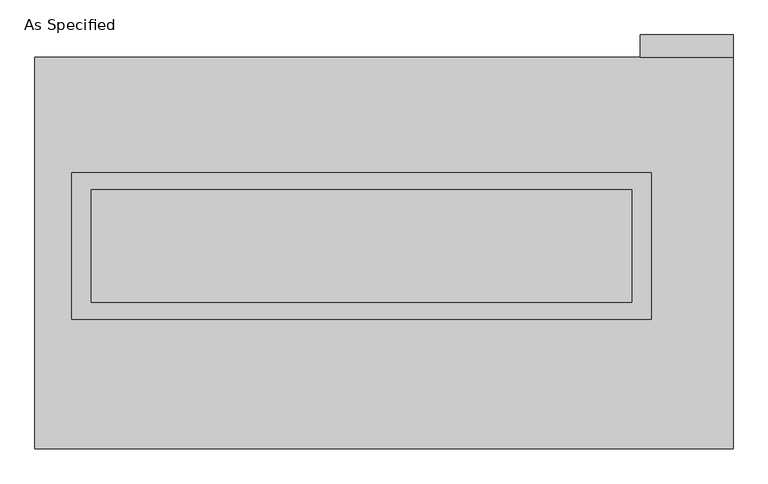
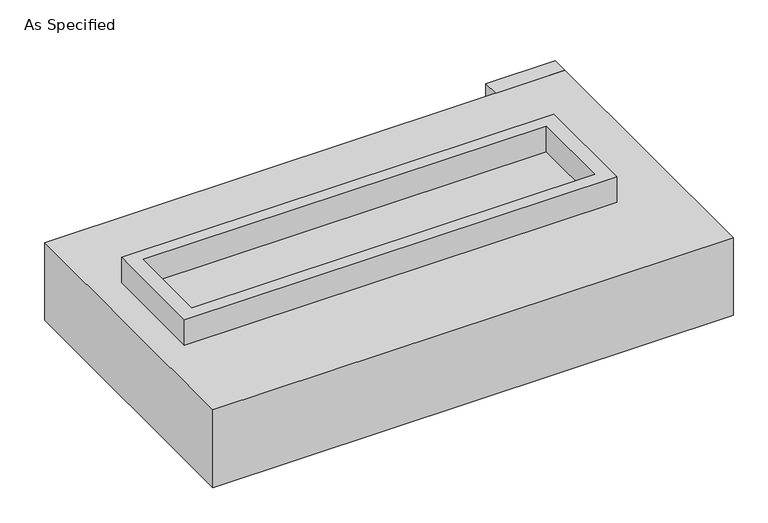
"""IFC4 building model written with IfcOpenShell, lengths in millimetres: proxy geometry, As Specified."""

from ifc_helpers import new_model, si_unit, frame, origin, place, context, project, spatial, polyline, outline, extrude, faceted_brep, source, transform, mapped, element, save


def as_specified_ad8ccd12(model_context):
    return source(origin(), model_context, "Body", "SolidModel", [
        extrude(outline(polyline([(1308.1, 361.95), (1308.1, -298.45), (-1308.1, -298.45), (-1308.1, 361.95), (1308.1, 361.95)]), holes=[polyline([(1219.2, 285.75), (-1219.2, 285.75), (-1219.2, -222.25), (1219.2, -222.25), (1219.2, 285.75)])]), frame((0.0, 0.0, -25.4), z_axis=(0.0, 0.0, 1.0), x_axis=(1.0, 0.0, 0.0)), (0.0, 0.0, 1.0), 165.1),
        extrude(outline(polyline([(1257.3, 882.65), (1257.3, 984.25), (1676.4, 984.25), (1676.4, 882.65), (1257.3, 882.65)])), frame((0.0, 0.0, -523.875), z_axis=(0.0, 0.0, 1.0), x_axis=(1.0, 0.0, 0.0)), (0.0, 0.0, 1.0), 498.475),
        extrude(outline(polyline([(1219.2, 285.75), (1219.2, -222.25), (-1219.2, -222.25), (-1219.2, 285.75), (1219.2, 285.75)])), frame((0.0, 0.0, -30.3609375), z_axis=(0.0, 0.0, 1.0), x_axis=(1.0, 0.0, 0.0)), (0.0, 0.0, 1.0), 4.9609375),
        faceted_brep([(1676.4, -882.65, -523.875), (-1473.2, -882.65, -523.875), (-1473.2, 882.65, -523.875), (1676.4, 882.65, -523.875), (1676.4, 882.65, -25.4), (-1473.2, 882.65, -25.4), (-1473.2, -882.65, -25.4), (1676.4, -882.65, -25.4), (1308.1, 361.95, -25.4), (1308.1, -298.45, -25.4), (-1308.1, -298.45, -25.4), (-1308.1, 361.95, -25.4), (1308.1, 361.95, -498.475), (-1308.1, 361.95, -498.475), (-1308.1, -298.45, -498.475), (1308.1, -298.45, -498.475)], [[[0, 1, 2, 3]], [[4, 5, 6, 7], [8, 9, 10, 11]], [[3, 2, 5, 4]], [[2, 1, 6, 5]], [[0, 3, 4, 7]], [[12, 13, 14, 15]], [[14, 13, 11, 10]], [[13, 12, 8, 11]], [[12, 15, 9, 8]], [[10, 9, 15, 14]], [[1, 0, 7, 6]]]),
    ])


if __name__ == "__main__":
    model = new_model("IFC4")
    model_context = context("Model", 3, world=origin())
    ifc_project = project(units=[si_unit("LENGTHUNIT", "METRE", prefix="MILLI")], contexts=[model_context])
    site = spatial("IfcSite", under=ifc_project)
    building = spatial("IfcBuilding", under=site)
    placement = place(None, origin())
    as_specified_shape = as_specified_ad8ccd12(model_context)
    element("IfcBuildingElementProxy", 1, Name="As Specified", ObjectType="As Specified", at=placement, inside=building, context=model_context, shape_type="MappedRepresentation", body=[
        mapped(as_specified_shape, transform((0.0, 0.0, 0.0), x_axis=(1.0, 0.0, 0.0), y_axis=(0.0, 1.0, 0.0), z_axis=(0.0, 0.0, 1.0))),
    ])
    save(model, "model.ifc")
